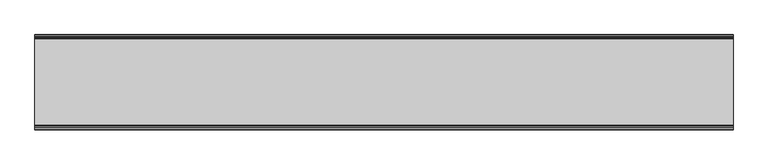
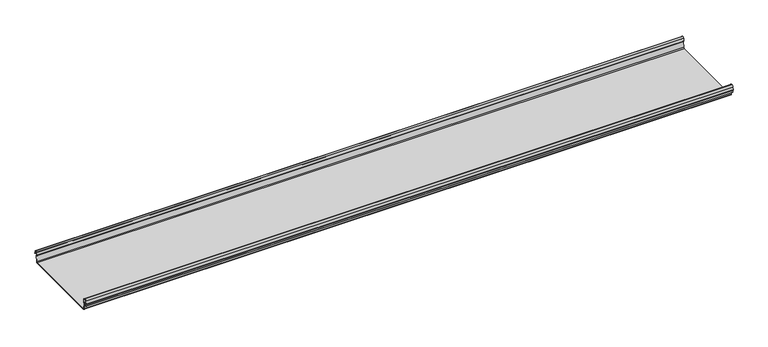
"""IFC4 building model written with IfcOpenShell, lengths in millimetres: beam geometry."""

from ifc_helpers import new_model, si_unit, frame, origin, place, context, project, spatial, polyline, circle_curve, source, transform, mapped, element, save
from ifc_brep_helpers import plane_surface, cylinder_surface, revolved_surface, advanced_brep


def beam_94237050(model_context):
    return source(origin(), model_context, "Body", "AdvancedBrep", [
        advanced_brep(
        [(1295.1012987, 174.5298471, 17.4730576), (1295.1012987, 169.9958217, 21.2486363), (1295.1012987, 165.4890072, 17.6093124), (1295.1012987, 163.0420077, 6.2503755), (1295.1012987, 164.7006671, 3.7959761), (1295.1012987, 165.8698319, 2.0849359), (1295.1012987, 164.3793103, -21.3247551), (1295.1012987, 160.6848586, -24.7896475), (1295.1012987, -159.5640942, -24.7896475), (1295.1012987, -163.2568715, -21.3207217), (1295.1012987, -164.7263748, 2.1632779), (1295.1012987, -164.0984471, 3.0966958), (1295.1012987, -161.8868093, 6.1624874), (1295.1012987, -162.770348, 17.3389905), (1295.1012987, -170.0, 24.0196704), (1295.1012987, -177.229652, 17.3389905), (1295.1012987, -178.1131907, 6.1624874), (1295.1012987, -175.9015529, 3.0966958), (1295.1012987, -175.2736252, 2.1632779), (1295.1012987, -175.6653397, -4.0966758), (1295.1012987, -174.6633838, -4.0966758), (1295.1012987, -174.255975, 2.4140875), (1295.1012987, -175.661391, 4.0675496), (1295.1012987, -177.1158116, 6.08368), (1295.1012987, -176.2261211, 17.3379999), (1295.1012987, -170.0, 23.0196704), (1295.1012987, -163.767144, 17.2589936), (1295.1012987, -162.8795452, 6.0037927), (1295.1012987, -164.338609, 4.0675496), (1295.1012987, -165.744025, 2.4140875), (1295.1012987, -164.2549195, -21.3831743), (1295.1012987, -159.5640942, -25.7896475), (1295.1012987, 160.6846135, -25.7896475), (1295.1012987, 165.3772895, -21.3882975), (1295.1012987, 166.868024, 2.0247376), (1295.1012987, 164.9644432, 4.7613501), (1295.1012987, 164.0277999, 6.0779003), (1295.1012987, 166.4434849, 17.2822335), (1295.1012987, 170.0063307, 20.2496221), (1295.1012987, 173.4803249, 17.6539317), (1295.1012987, 175.5075757, 6.5459412), (1295.1012987, 176.5074356, 6.7299959), (-1295.1012987, 174.5298471, 17.4730576), (-1295.1012987, 176.5074356, 6.7299959), (-1295.1012987, 175.5075757, 6.5459412), (-1295.1012987, 173.4803249, 17.6539317), (-1295.1012987, 170.0063307, 20.2496221), (-1295.1012987, 166.4434849, 17.2822335), (-1295.1012987, 164.0277999, 6.0779003), (-1295.1012987, 164.9644432, 4.7613501), (-1295.1012987, 166.868024, 2.0247376), (-1295.1012987, 165.3772895, -21.3882975), (-1295.1012987, 160.6846135, -25.7896475), (-1295.1012987, -159.5640942, -25.7896475), (-1295.1012987, -164.2549195, -21.3831743), (-1295.1012987, -165.744025, 2.4140875), (-1295.1012987, -164.338609, 4.0675496), (-1295.1012987, -162.8795452, 6.0037927), (-1295.1012987, -163.767144, 17.2589936), (-1295.1012987, -170.0, 23.0196704), (-1295.1012987, -176.2261211, 17.3379999), (-1295.1012987, -177.1158116, 6.08368), (-1295.1012987, -175.661391, 4.0675496), (-1295.1012987, -174.255975, 2.4140875), (-1295.1012987, -174.6633838, -4.0966758), (-1295.1012987, -175.6653397, -4.0966758), (-1295.1012987, -175.2736252, 2.1632779), (-1295.1012987, -175.9015529, 3.0966958), (-1295.1012987, -178.1066021, 6.2458324), (-1295.1012987, -177.229652, 17.3389905), (-1295.1012987, -170.0, 24.0196704), (-1295.1012987, -162.770348, 17.3389905), (-1295.1012987, -161.8868093, 6.1624874), (-1295.1012987, -164.0984471, 3.0966958), (-1295.1012987, -164.7263748, 2.1632779), (-1295.1012987, -163.2568715, -21.3207217), (-1295.1012987, -159.5640942, -24.7896475), (-1295.1012987, 160.6848586, -24.7896475), (-1295.1012987, 164.3793103, -21.3247551), (-1295.1012987, 165.8698319, 2.0849359), (-1295.1012987, 164.7006671, 3.7959761), (-1295.1012987, 163.0420077, 6.2503755), (-1295.1012987, 165.4890072, 17.6093124), (-1295.1012987, 169.9958217, 21.2486363)],
        [
            (0, 1, circle_curve(frame((1295.1012987, 169.9958217, 16.6384317), z_axis=(1.0, 0.0, 0.0), x_axis=(0.0, 1.0, 0.0)), 4.6102046)),
            (1, 2, circle_curve(frame((1295.1012987, 169.9958217, 16.6384317), z_axis=(1.0, 0.0, 0.0), x_axis=(0.0, 0.2105938444020083, 0.9775736456656259)), 4.6102046)),
            (2, 3),
            (3, 4, circle_curve(frame((1295.1012987, 165.4262002, 6.073937), z_axis=(1.0, 0.0, 0.0), x_axis=(0.0, -0.9528378408797884, 0.30347989881958104)), 2.3907121)),
            (4, 5, circle_curve(frame((1295.1012987, 164.1897695, 2.1919074), z_axis=(-1.0, 0.0, 0.0), x_axis=(0.0, 0.06354246328302078, 0.9979791357337717)), 1.6834645)),
            (5, 6),
            (6, 7, circle_curve(frame((1295.1012987, 160.6867875, -21.089648), z_axis=(-1.0, 0.0, 0.0), x_axis=(0.0, 0.9999998641088232, -0.0005213274739325337)), 3.7)),
            (7, 8),
            (8, 9, circle_curve(frame((1295.1012987, -159.5640942, -21.0896475), z_axis=(-1.0, 0.0, 0.0), x_axis=(0.0, 0.062452508687223206, -0.9980479368039755)), 3.7)),
            (9, 10),
            (10, 11, circle_curve(frame((1295.1012987, -163.8044049, 2.2209698), z_axis=(-1.0, 0.0, 0.0), x_axis=(0.0, -0.9479881328261025, -0.31830567073314897)), 0.9237732)),
            (11, 12, circle_curve(frame((1295.1012987, -164.7984694, 5.9323112), z_axis=(1.0, 0.0, 0.0), x_axis=(0.0, 0.07880737243916666, -0.9968898625471294)), 2.9207441)),
            (12, 13),
            (13, 14, circle_curve(frame((1295.1012987, -170.0, 16.7674631), z_axis=(1.0, 0.0, 0.0), x_axis=(0.0, 1.0, 0.0)), 7.2522073)),
            (14, 15, circle_curve(frame((1295.1012987, -170.0, 16.7674631), z_axis=(1.0, 0.0, 0.0), x_axis=(0.0, 0.07880737243912425, 0.9968898625471327)), 7.2522073)),
            (15, 16),
            (16, 17, circle_curve(frame((1295.1012987, -175.2001089, 5.9344165), z_axis=(1.0, 0.0, 0.0), x_axis=(0.0, -0.9707819351134729, 0.2399634023290655)), 2.9231288)),
            (17, 18, circle_curve(frame((1295.1012987, -176.1025472, 2.2835649), z_axis=(-1.0, 0.0, 0.0), x_axis=(0.0, 0.14360843272178178, 0.9896345881441257)), 0.8376041)),
            (18, 19),
            (19, 20, circle_curve(frame((1295.1012987, -175.1643617, -4.0966758), z_axis=(1.0, 0.0, 0.0), x_axis=(0.0, 0.0, -1.0)), 0.5009779)),
            (20, 21),
            (21, 22, circle_curve(frame((1295.1012987, -176.1062911, 2.2653702), z_axis=(1.0, 0.0, 0.0), x_axis=(0.0, 0.9708537722163966, -0.23967259537375799)), 1.856283)),
            (22, 23, circle_curve(frame((1295.1012987, -175.2010412, 5.9323112), z_axis=(-1.0, 0.0, 0.0), x_axis=(0.0, -0.07880737243914376, -0.9968898625471312)), 1.9207441)),
            (23, 24),
            (24, 25, circle_curve(frame((1295.1012987, -170.0770494, 16.8518958), z_axis=(-1.0, 0.0, 0.0), x_axis=(0.0, -0.9999219808421378, 0.012491286112139365)), 6.1682558)),
            (25, 26, circle_curve(frame((1295.1012987, -170.0791743, 16.6817991), z_axis=(-1.0, 0.0, 0.0), x_axis=(0.0, -0.09106361391821856, 0.9958450774192508)), 6.3383658)),
            (26, 27),
            (27, 28, circle_curve(frame((1295.1012987, -164.70299, 5.8599936), z_axis=(-1.0, 0.0, 0.0), x_axis=(0.0, 0.9799562955839813, 0.19921259685401593)), 1.8291061)),
            (28, 29, circle_curve(frame((1295.1012987, -163.9886548, 2.3460727), z_axis=(1.0, 0.0, 0.0), x_axis=(0.0, 0.03871763325448635, 0.9992501913310655)), 1.7566874)),
            (29, 30),
            (30, 31, circle_curve(frame((1295.1012987, -159.5640942, -21.0896475), z_axis=(1.0, 0.0, 0.0), x_axis=(0.0, -1.0, 0.0)), 4.7)),
            (31, 32),
            (32, 33, circle_curve(frame((1295.1012987, 160.6846135, -21.0873301), z_axis=(1.0, 0.0, 0.0), x_axis=(0.0, -0.06400407594283139, -0.997949637137418)), 4.7023174)),
            (33, 34),
            (34, 35, circle_curve(frame((1295.1012987, 164.1939121, 2.1950013), z_axis=(1.0, 0.0, 0.0), x_axis=(0.0, 0.9577619201002135, -0.2875623487279797)), 2.6795268)),
            (35, 36, circle_curve(frame((1295.1012987, 165.0972859, 5.8473161), z_axis=(-1.0, 0.0, 0.0), x_axis=(0.0, -0.210759855052358, -0.9775378680635902)), 1.094061)),
            (36, 37),
            (37, 38, circle_curve(frame((1295.1012987, 170.0063307, 16.627032), z_axis=(-1.0, 0.0, 0.0), x_axis=(0.0, -1.0, 0.0)), 3.6225901)),
            (38, 39, circle_curve(frame((1295.1012987, 170.0063307, 16.627032), z_axis=(-1.0, 0.0, 0.0), x_axis=(0.0, -0.2834711363957483, 0.9589807687490417)), 3.6225901)),
            (39, 40),
            (40, 41, circle_curve(frame((1295.1012987, 176.0075057, 6.6379685), z_axis=(1.0, 0.0, 0.0), x_axis=(0.0, 0.18103878268247353, -0.9834759575937014)), 0.5083296)),
            (41, 0),
            (42, 43),
            (43, 44, circle_curve(frame((-1295.1012987, 176.0075057, 6.6379685), z_axis=(-1.0, 0.0, 0.0), x_axis=(0.0, 0.18103878268247353, -0.9834759575937014)), 0.5083296)),
            (44, 45),
            (45, 46, circle_curve(frame((-1295.1012987, 170.0063307, 16.627032), z_axis=(1.0, 0.0, 0.0), x_axis=(0.0, -0.2834711363957483, 0.9589807687490417)), 3.6225901)),
            (46, 47, circle_curve(frame((-1295.1012987, 170.0063307, 16.627032), z_axis=(1.0, 0.0, 0.0), x_axis=(0.0, -1.0, 0.0)), 3.6225901)),
            (47, 48),
            (48, 49, circle_curve(frame((-1295.1012987, 165.0972859, 5.8473161), z_axis=(1.0, 0.0, 0.0), x_axis=(0.0, -0.210759855052358, -0.9775378680635902)), 1.094061)),
            (49, 50, circle_curve(frame((-1295.1012987, 164.1939121, 2.1950013), z_axis=(-1.0, 0.0, 0.0), x_axis=(0.0, 0.9577619201002135, -0.2875623487279797)), 2.6795268)),
            (50, 51),
            (51, 52, circle_curve(frame((-1295.1012987, 160.6846135, -21.0873301), z_axis=(-1.0, 0.0, 0.0), x_axis=(0.0, -0.06400407594283139, -0.997949637137418)), 4.7023174)),
            (52, 53),
            (53, 54, circle_curve(frame((-1295.1012987, -159.5640942, -21.0896475), z_axis=(-1.0, 0.0, 0.0), x_axis=(0.0, -1.0, 0.0)), 4.7)),
            (54, 55),
            (55, 56, circle_curve(frame((-1295.1012987, -163.9886548, 2.3460727), z_axis=(-1.0, 0.0, 0.0), x_axis=(0.0, 0.03871763325448635, 0.9992501913310655)), 1.7566874)),
            (56, 57, circle_curve(frame((-1295.1012987, -164.70299, 5.8599936), z_axis=(1.0, 0.0, 0.0), x_axis=(0.0, 0.9799562955839813, 0.19921259685401593)), 1.8291061)),
            (57, 58),
            (58, 59, circle_curve(frame((-1295.1012987, -170.0791743, 16.6817991), z_axis=(1.0, 0.0, 0.0), x_axis=(0.0, -0.09106361391821856, 0.9958450774192508)), 6.3383658)),
            (59, 60, circle_curve(frame((-1295.1012987, -170.0770494, 16.8518958), z_axis=(1.0, 0.0, 0.0), x_axis=(0.0, -0.9999219808421378, 0.012491286112139365)), 6.1682558)),
            (60, 61),
            (61, 62, circle_curve(frame((-1295.1012987, -175.2010412, 5.9323112), z_axis=(1.0, 0.0, 0.0), x_axis=(0.0, -0.07880737243914376, -0.9968898625471312)), 1.9207441)),
            (62, 63, circle_curve(frame((-1295.1012987, -176.1062911, 2.2653702), z_axis=(-1.0, 0.0, 0.0), x_axis=(0.0, 0.9708537722163966, -0.23967259537375799)), 1.856283)),
            (63, 64),
            (64, 65, circle_curve(frame((-1295.1012987, -175.1643617, -4.0966758), z_axis=(-1.0, 0.0, 0.0), x_axis=(0.0, 0.0, -1.0)), 0.5009779)),
            (65, 66),
            (66, 67, circle_curve(frame((-1295.1012987, -176.1025472, 2.2835649), z_axis=(1.0, 0.0, 0.0), x_axis=(0.0, 0.14360843272178178, 0.9896345881441257)), 0.8376041)),
            (67, 68, circle_curve(frame((-1295.1012987, -175.2001089, 5.9344165), z_axis=(-1.0, 0.0, 0.0), x_axis=(0.0, -0.9707819351134729, 0.2399634023290655)), 2.9231288)),
            (68, 69),
            (69, 70, circle_curve(frame((-1295.1012987, -170.0, 16.7674631), z_axis=(-1.0, 0.0, 0.0), x_axis=(0.0, 0.07880737243912425, 0.9968898625471327)), 7.2522073)),
            (70, 71, circle_curve(frame((-1295.1012987, -170.0, 16.7674631), z_axis=(-1.0, 0.0, 0.0), x_axis=(0.0, 1.0, 0.0)), 7.2522073)),
            (71, 72),
            (72, 73, circle_curve(frame((-1295.1012987, -164.7984694, 5.9323112), z_axis=(-1.0, 0.0, 0.0), x_axis=(0.0, 0.07880737243916666, -0.9968898625471294)), 2.9207441)),
            (73, 74, circle_curve(frame((-1295.1012987, -163.8044049, 2.2209698), z_axis=(1.0, 0.0, 0.0), x_axis=(0.0, -0.9479881328261025, -0.31830567073314897)), 0.9237732)),
            (74, 75),
            (75, 76, circle_curve(frame((-1295.1012987, -159.5640942, -21.0896475), z_axis=(1.0, 0.0, 0.0), x_axis=(0.0, 0.062452508687223206, -0.9980479368039755)), 3.7)),
            (76, 77),
            (77, 78, circle_curve(frame((-1295.1012987, 160.6867875, -21.089648), z_axis=(1.0, 0.0, 0.0), x_axis=(0.0, 0.9999998641088232, -0.0005213274739325337)), 3.7)),
            (78, 79),
            (79, 80, circle_curve(frame((-1295.1012987, 164.1897695, 2.1919074), z_axis=(1.0, 0.0, 0.0), x_axis=(0.0, 0.06354246328302078, 0.9979791357337717)), 1.6834645)),
            (80, 81, circle_curve(frame((-1295.1012987, 165.4262002, 6.073937), z_axis=(-1.0, 0.0, 0.0), x_axis=(0.0, -0.9528378408797884, 0.30347989881958104)), 2.3907121)),
            (81, 82),
            (82, 83, circle_curve(frame((-1295.1012987, 169.9958217, 16.6384317), z_axis=(-1.0, 0.0, 0.0), x_axis=(0.0, 0.2105938444020083, 0.9775736456656259)), 4.6102046)),
            (83, 42, circle_curve(frame((-1295.1012987, 169.9958217, 16.6384317), z_axis=(-1.0, 0.0, 0.0), x_axis=(0.0, 1.0, 0.0)), 4.6102046)),
            (42, 0),
            (41, 43),
            (40, 44),
            (39, 45),
            (38, 46),
            (37, 47),
            (36, 48),
            (35, 49),
            (34, 50),
            (33, 51),
            (32, 52),
            (31, 53),
            (30, 54),
            (29, 55),
            (28, 56),
            (27, 57),
            (26, 58),
            (25, 59),
            (24, 60),
            (23, 61),
            (22, 62),
            (21, 63),
            (20, 64),
            (19, 65),
            (18, 66),
            (17, 67),
            (16, 68),
            (15, 69),
            (14, 70),
            (13, 71),
            (12, 72),
            (11, 73),
            (10, 74),
            (9, 75),
            (8, 76),
            (7, 77),
            (6, 78),
            (5, 79),
            (4, 80),
            (3, 81),
            (2, 82),
            (1, 83),
        ],
        [
            plane_surface(frame((1295.1012987, 176.5074356, 6.7299959), z_axis=(1.0000000000000002, 0.0, 0.0), x_axis=(0.0, -0.18103878268248824, 0.9834759575936989))),
            plane_surface(frame((-1295.1012987, 176.5074356, 6.7299959), z_axis=(-1.0000000000000002, 0.0, 0.0), x_axis=(0.0, 0.18103878268248824, -0.9834759575936989))),
            plane_surface(frame((1295.1012987, 175.5186413, 12.1015267), z_axis=(0.0, 0.9834759575937931, 0.18103878268197598), x_axis=(0.0, 0.18103878268197598, -0.9834759575937931))),
            cylinder_surface(frame((1295.1012987, 176.0075057, 6.6379685), z_axis=(-1.0, 0.0, 0.0), x_axis=(0.0, 0.18103878268247353, -0.9834759575937014)), 0.5083296),
            plane_surface(frame((1295.1012987, 174.4939503, 12.0999365), z_axis=(0.0, -0.9837509798366516, -0.17953832368168063), x_axis=(0.0, -0.17953832368168063, 0.9837509798366516))),
            revolved_surface(polyline([(-1295.1012987, 168.979430967657, 20.101026238960667), (1295.1012987, 168.979430967657, 20.101026238960667)]), (1295.1012987, 170.0063307, 16.627032), (-1.0, 0.0, 0.0)),
            revolved_surface(polyline([(-1295.1012987, 166.3837406, 16.627032), (1295.1012987, 166.3837406, 16.627032)]), (1295.1012987, 170.0063307, 16.627032), (-1.0, 0.0, 0.0)),
            plane_surface(frame((1295.1012987, 165.2356424, 11.6800669), z_axis=(0.0, 0.9775378680634891, -0.2107598550528272), x_axis=(0.0, -0.2107598550528272, -0.9775378680634891))),
            revolved_surface(polyline([(-1295.1012987, 164.86670176222157, 4.77783004252848), (1295.1012987, 164.86670176222157, 4.77783004252848)]), (1295.1012987, 165.0972859, 5.8473161), (-1.0, 0.0, 0.0)),
            cylinder_surface(frame((1295.1012987, 164.1939121, 2.1950013), z_axis=(-1.0, 0.0, 0.0), x_axis=(0.0, 0.9577619201002135, -0.2875623487279797)), 2.6795268),
            plane_surface(frame((1295.1012987, 166.1226567, -9.68178), z_axis=(0.0, 0.9979791357337514, -0.06354246328334037), x_axis=(0.0, -0.06354246328334037, -0.9979791357337514))),
            cylinder_surface(frame((1295.1012987, 160.6846135, -21.0873301), z_axis=(-1.0, 0.0, 0.0), x_axis=(0.0, -0.06400407594283139, -0.997949637137418)), 4.7023174),
            plane_surface(frame((1295.1012987, 0.5602597, -25.7896475), z_axis=(0.0, 0.0, -1.0), x_axis=(0.0, -1.0, 0.0))),
            cylinder_surface(frame((1295.1012987, -159.5640942, -21.0896475), z_axis=(-1.0, 0.0, 0.0), x_axis=(0.0, -1.0, 0.0)), 4.7),
            plane_surface(frame((1295.1012987, -164.9994722, -9.4845434), z_axis=(0.0, -0.99804793680396, -0.06245250868747398), x_axis=(0.0, -0.06245250868747398, 0.99804793680396))),
            cylinder_surface(frame((1295.1012987, -163.9886548, 2.3460727), z_axis=(-1.0, 0.0, 0.0), x_axis=(0.0, 0.03871763325448635, 0.9992501913310655)), 1.7566874),
            revolved_surface(polyline([(-1295.1012987, -162.91054596201394, 6.224374576102521), (1295.1012987, -162.91054596201394, 6.224374576102521)]), (1295.1012987, -164.70299, 5.8599936), (-1.0, 0.0, 0.0)),
            plane_surface(frame((1295.1012987, -163.3233446, 11.6313931), z_axis=(0.0, -0.9969048840807634, -0.07861712342689589), x_axis=(0.0, -0.07861712342689589, 0.9969048840807634))),
            revolved_surface(polyline([(-1295.1012987, -170.65636879608365, 22.99382948081253), (1295.1012987, -170.65636879608365, 22.99382948081253)]), (1295.1012987, -170.0791743, 16.6817991), (-1.0, 0.0, 0.0)),
            revolved_surface(polyline([(-1295.1012987, -176.244823957877, 16.928945248010663), (1295.1012987, -176.244823957877, 16.928945248010663)]), (1295.1012987, -170.0770494, 16.8518958), (-1.0, 0.0, 0.0)),
            plane_surface(frame((1295.1012987, -176.6709664, 11.71084), z_axis=(0.0, 0.9968898625470921, -0.07880737243963815), x_axis=(0.0, -0.07880737243963815, -0.9968898625470921))),
            revolved_surface(polyline([(-1295.1012987, -175.35240999564897, 4.017540878162787), (1295.1012987, -175.35240999564897, 4.017540878162787)]), (1295.1012987, -175.2010412, 5.9323112), (-1.0, 0.0, 0.0)),
            cylinder_surface(frame((1295.1012987, -176.1062911, 2.2653702), z_axis=(-1.0, 0.0, 0.0), x_axis=(0.0, 0.9708537722163966, -0.23967259537375799)), 1.856283),
            plane_surface(frame((1295.1012987, -174.4596794, -0.8412941), z_axis=(0.0, 0.9980479368039222, -0.06245250868807452), x_axis=(0.0, -0.06245250868807452, -0.9980479368039222))),
            cylinder_surface(frame((1295.1012987, -175.1643617, -4.0966758), z_axis=(-1.0, 0.0, 0.0), x_axis=(0.0, 0.0, -1.0)), 0.5009779),
            plane_surface(frame((1295.1012987, -175.4694824, -0.9666989), z_axis=(0.0, -0.9980479368040358, 0.06245250868626084), x_axis=(0.0, 0.06245250868626084, 0.9980479368040358))),
            revolved_surface(polyline([(-1295.1012987, -175.98226018795768, 3.112486888531331), (1295.1012987, -175.98226018795768, 3.112486888531331)]), (1295.1012987, -176.1025472, 2.2835649), (-1.0, 0.0, 0.0)),
            cylinder_surface(frame((1295.1012987, -175.2001089, 5.9344165), z_axis=(-1.0, 0.0, 0.0), x_axis=(0.0, -0.9707819351134729, 0.2399634023290655)), 2.9231288),
            plane_surface(frame((1295.1012987, -177.6714214, 11.7507389), z_axis=(0.0, -0.9968898625471735, 0.07880737243860966), x_axis=(0.0, 0.07880737243860966, 0.9968898625471735))),
            cylinder_surface(frame((1295.1012987, -170.0, 16.7674631), z_axis=(-1.0, 0.0, 0.0), x_axis=(0.0, 0.07880737243912425, 0.9968898625471327)), 7.2522073),
            cylinder_surface(frame((1295.1012987, -170.0, 16.7674631), z_axis=(-1.0, 0.0, 0.0), x_axis=(0.0, 1.0, 0.0)), 7.2522073),
            plane_surface(frame((1295.1012987, -162.3285786, 11.7507389), z_axis=(0.0, 0.9968898625471712, 0.07880737243863836), x_axis=(0.0, 0.07880737243863836, -0.9968898625471712))),
            cylinder_surface(frame((1295.1012987, -164.7984694, 5.9323112), z_axis=(-1.0, 0.0, 0.0), x_axis=(0.0, 0.07880737243916666, -0.9968898625471294)), 2.9207441),
            revolved_surface(polyline([(-1295.1012987, -164.6801309310228, 1.9269275519686928), (1295.1012987, -164.6801309310228, 1.9269275519686928)]), (1295.1012987, -163.8044049, 2.2209698), (-1.0, 0.0, 0.0)),
            plane_surface(frame((1295.1012987, -163.9916232, -9.5787219), z_axis=(0.0, 0.9980479368039906, 0.0624525086869835), x_axis=(0.0, 0.0624525086869835, -0.9980479368039906))),
            revolved_surface(polyline([(-1295.1012987, -159.33301991785729, -24.78242486617471), (1295.1012987, -159.33301991785729, -24.78242486617471)]), (1295.1012987, -159.5640942, -21.0896475), (-1.0, 0.0, 0.0)),
            plane_surface(frame((1295.1012987, 0.5603822, -24.7896475), z_axis=(0.0, 0.0, 1.0), x_axis=(0.0, 1.0, 0.0))),
            revolved_surface(polyline([(-1295.1012987, 164.38678699720265, -21.09157691165355), (1295.1012987, 164.38678699720265, -21.09157691165355)]), (1295.1012987, 160.6867875, -21.089648), (-1.0, 0.0, 0.0)),
            plane_surface(frame((1295.1012987, 165.1245711, -9.6199096), z_axis=(0.0, -0.9979791357337828, 0.06354246328284598), x_axis=(0.0, 0.06354246328284598, 0.9979791357337828))),
            revolved_surface(polyline([(-1295.1012987, 164.29674098117954, 3.871969846748486), (1295.1012987, 164.29674098117954, 3.871969846748486)]), (1295.1012987, 164.1897695, 2.1919074), (-1.0, 0.0, 0.0)),
            cylinder_surface(frame((1295.1012987, 165.4262002, 6.073937), z_axis=(-1.0, 0.0, 0.0), x_axis=(0.0, -0.9528378408797884, 0.30347989881958104)), 2.3907121),
            plane_surface(frame((1295.1012987, 164.2655075, 11.929844), z_axis=(0.0, -0.9775736456657296, 0.21059384440152715), x_axis=(0.0, 0.21059384440152715, 0.9775736456657296))),
            cylinder_surface(frame((1295.1012987, 169.9958217, 16.6384317), z_axis=(-1.0, 0.0, 0.0), x_axis=(0.0, 0.2105938444020083, 0.9775736456656259)), 4.6102046),
            cylinder_surface(frame((1295.1012987, 169.9958217, 16.6384317), z_axis=(-1.0, 0.0, 0.0), x_axis=(0.0, 1.0, 0.0)), 4.6102046),
        ],
        [
            (0, [[1, 2, 3, 4, 5, 6, 7, 8, 9, 10, 11, 12, 13, 14, 15, 16, 17, 18, 19, 20, 21, 22, 23, 24, 25, 26, 27, 28, 29, 30, 31, 32, 33, 34, 35, 36, 37, 38, 39, 40, 41, 42]]),
            (1, [[43, 44, 45, 46, 47, 48, 49, 50, 51, 52, 53, 54, 55, 56, 57, 58, 59, 60, 61, 62, 63, 64, 65, 66, 67, 68, 69, 70, 71, 72, 73, 74, 75, 76, 77, 78, 79, 80, 81, 82, 83, 84]]),
            (2, [[-43, 85, -42, 86]]),
            (3, [[-44, -86, -41, 87]]),
            (4, [[-45, -87, -40, 88]]),
            (5, [[-46, -88, -39, 89]]),
            (6, [[-47, -89, -38, 90]]),
            (7, [[-48, -90, -37, 91]]),
            (8, [[-49, -91, -36, 92]]),
            (9, [[-50, -92, -35, 93]]),
            (10, [[-51, -93, -34, 94]]),
            (11, [[-52, -94, -33, 95]]),
            (12, [[-53, -95, -32, 96]]),
            (13, [[-54, -96, -31, 97]]),
            (14, [[-55, -97, -30, 98]]),
            (15, [[-56, -98, -29, 99]]),
            (16, [[-57, -99, -28, 100]]),
            (17, [[-58, -100, -27, 101]]),
            (18, [[-59, -101, -26, 102]]),
            (19, [[-60, -102, -25, 103]]),
            (20, [[-61, -103, -24, 104]]),
            (21, [[-62, -104, -23, 105]]),
            (22, [[-63, -105, -22, 106]]),
            (23, [[-64, -106, -21, 107]]),
            (24, [[-65, -107, -20, 108]]),
            (25, [[-66, -108, -19, 109]]),
            (26, [[-67, -109, -18, 110]]),
            (27, [[-68, -110, -17, 111]]),
            (28, [[-69, -111, -16, 112]]),
            (29, [[-70, -112, -15, 113]]),
            (30, [[-71, -113, -14, 114]]),
            (31, [[-72, -114, -13, 115]]),
            (32, [[-73, -115, -12, 116]]),
            (33, [[-74, -116, -11, 117]]),
            (34, [[-75, -117, -10, 118]]),
            (35, [[-76, -118, -9, 119]]),
            (36, [[-77, -119, -8, 120]]),
            (37, [[-78, -120, -7, 121]]),
            (38, [[-79, -121, -6, 122]]),
            (39, [[-80, -122, -5, 123]]),
            (40, [[-81, -123, -4, 124]]),
            (41, [[-82, -124, -3, 125]]),
            (42, [[-83, -125, -2, 126]]),
            (43, [[-84, -126, -1, -85]]),
        ],
    ),
    ])


if __name__ == "__main__":
    model = new_model("IFC4")
    model_context = context("Model", 3, world=origin())
    ifc_project = project(units=[si_unit("LENGTHUNIT", "METRE", prefix="MILLI")], contexts=[model_context])
    site = spatial("IfcSite", under=ifc_project)
    building = spatial("IfcBuilding", under=site)
    placement = place(None, origin())
    beam_shape = beam_94237050(model_context)
    element("IfcBeam", 1, at=placement, inside=building, context=model_context, shape_type="MappedRepresentation", body=[
        mapped(beam_shape, transform((0.0, 0.0, 0.0), x_axis=(1.0, 0.0, 0.0), y_axis=(0.0, 1.0, 0.0), z_axis=(0.0, 0.0, 1.0))),
    ])
    save(model, "model.ifc")
